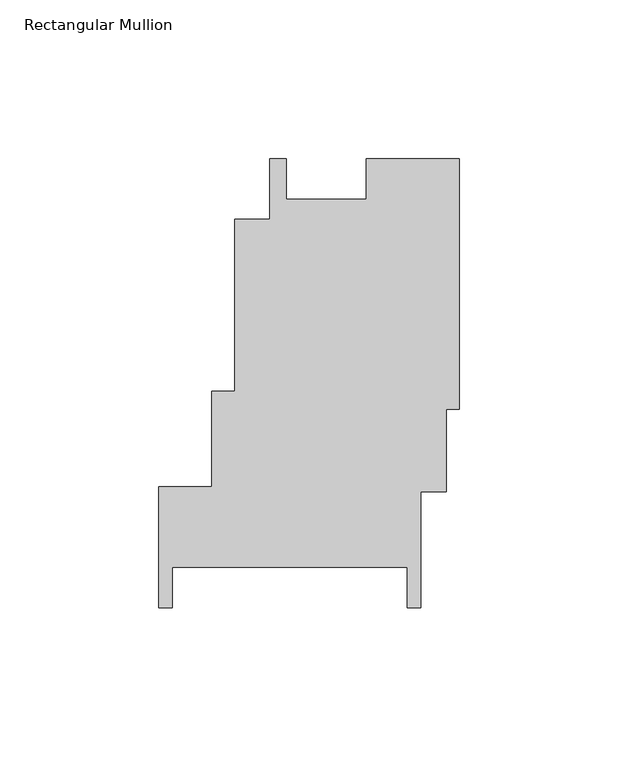
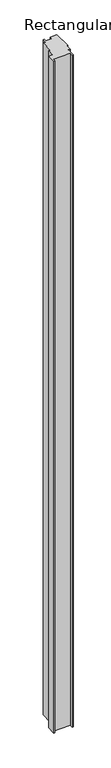
"""IFC4 building model written with IfcOpenShell, lengths in millimetres: member geometry, Rectangular Mullion."""

from ifc_helpers import new_model, si_unit, frame, origin, place, context, project, spatial, polyline, outline, extrude, source, transform, mapped, element, save


def rectangular_mullion_7fbdc18f(model_context):
    return source(origin(), model_context, "Body", "SweptSolid", [
        extrude(outline(polyline([(-94.5743913, -35.6739542), (-77.9396753, -35.6739542), (-77.9396753, -5.7422567), (-70.6925146, -5.7422567), (-70.6925146, 48.47785), (-59.6691439, 48.47785), (-59.6691439, 67.5274537), (-54.4622522, 67.5274537), (-54.4622522, 54.8277179), (-29.3103986, 54.8277179), (-29.3103986, 67.5169835), (0.0, 67.5169835), (0.0, -11.3729268), (-4.0188441, -11.3729268), (-4.0188441, -37.2487163), (-12.0261896, -37.2487163), (-12.0261896, -73.7778654), (-16.3440998, -73.7778654), (-16.3440998, -61.0781295), (-90.2564811, -61.0781295), (-90.2564811, -73.7762097), (-94.5743913, -73.7762097), (-94.5743913, -35.6739542)])), frame((0.0, 0.0, -3048.0), z_axis=(0.0, 0.0, 1.0), x_axis=(1.0, 0.0, 0.0)), (0.0, 0.0, 1.0), 3048.0),
    ])


if __name__ == "__main__":
    model = new_model("IFC4")
    model_context = context("Model", 3, world=origin())
    ifc_project = project(units=[si_unit("LENGTHUNIT", "METRE", prefix="MILLI")], contexts=[model_context])
    site = spatial("IfcSite", under=ifc_project)
    building = spatial("IfcBuilding", under=site)
    placement = place(None, origin())
    rectangular_mullion_shape = rectangular_mullion_7fbdc18f(model_context)
    element("IfcMember", 1, ObjectType="Rectangular Mullion", at=placement, inside=building, context=model_context, shape_type="MappedRepresentation", body=[
        mapped(rectangular_mullion_shape, transform((0.0, 0.0, 0.0), x_axis=(1.0, 0.0, 0.0), y_axis=(0.0, 1.0, 0.0), z_axis=(0.0, 0.0, 1.0))),
    ])
    save(model, "model.ifc")
